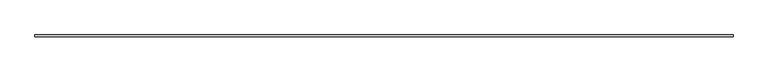
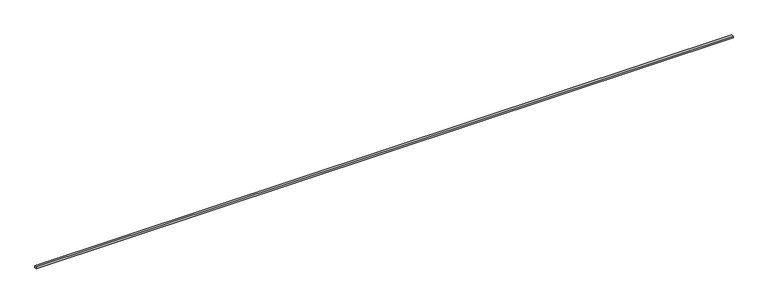
"""IFC4 building model written with IfcOpenShell, lengths in millimetres: railing geometry."""

from ifc_helpers import new_model, si_unit, frame, origin, place, context, project, spatial, polyline, outline, extrude, source, transform, mapped, element, save


def railing_30850206(model_context):
    return source(origin(), model_context, "Body", "SweptSolid", [
        extrude(outline(polyline([(25073.710694, 50305.7735869), (25073.710694, 50254.9735869), (6785.710694, 50254.9735869), (6785.710694, 50305.7735869), (25073.710694, 50305.7735869)])), frame((0.0, 0.0, 660.4), z_axis=(0.0, 0.0, 1.0), x_axis=(1.0, 0.0, 0.0)), (0.0, 0.0, 1.0), 50.8),
    ])


if __name__ == "__main__":
    model = new_model("IFC4")
    model_context = context("Model", 3, world=origin())
    ifc_project = project(units=[si_unit("LENGTHUNIT", "METRE", prefix="MILLI")], contexts=[model_context])
    site = spatial("IfcSite", under=ifc_project)
    building = spatial("IfcBuilding", under=site)
    placement = place(None, origin())
    railing_shape = railing_30850206(model_context)
    element("IfcRailing", 1, at=placement, inside=building, context=model_context, shape_type="MappedRepresentation", body=[
        mapped(railing_shape, transform((0.0, 0.0, 0.0), x_axis=(1.0, 0.0, 0.0), y_axis=(0.0, 1.0, 0.0), z_axis=(0.0, 0.0, 1.0))),
    ])
    save(model, "model.ifc")
